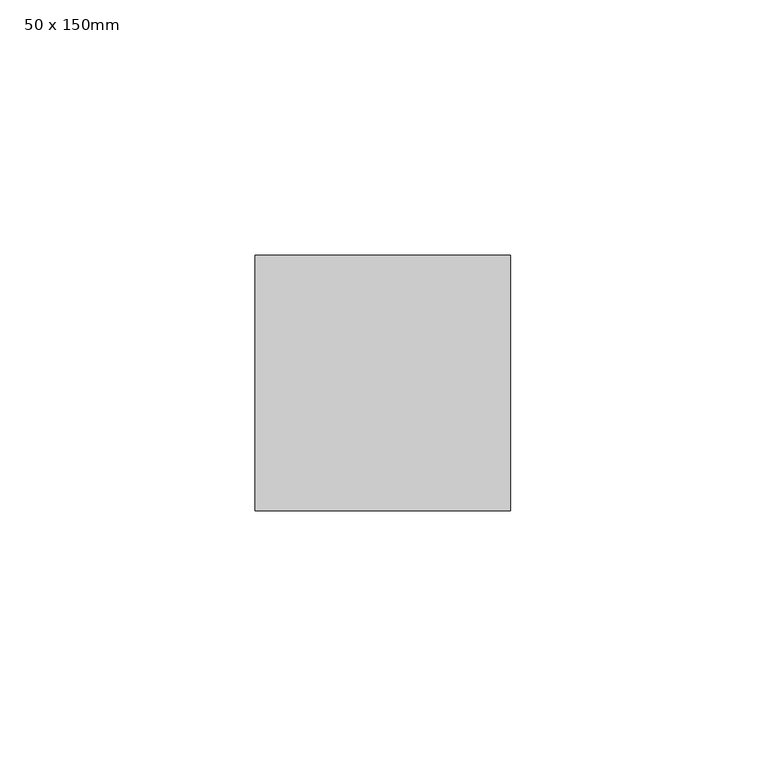
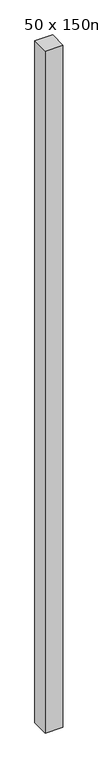
"""IFC4 building model written with IfcOpenShell, lengths in millimetres: member geometry, 50 x 150mm."""

from ifc_helpers import new_model, si_unit, frame, origin, place, context, project, spatial, polyline, outline, extrude, source, transform, mapped, element, save


def member_50_x_150mm_85221250(model_context):
    return source(origin(), model_context, "Body", "SweptSolid", [
        extrude(outline(polyline([(25.0, 25.0), (25.0, -25.0), (-25.0, -25.0), (-25.0, 25.0), (25.0, 25.0)])), frame((0.0, 0.0, -2025.0), z_axis=(0.0, 0.0, 1.0), x_axis=(1.0, 0.0, 0.0)), (0.0, 0.0, 1.0), 2025.0),
    ])


if __name__ == "__main__":
    model = new_model("IFC4")
    model_context = context("Model", 3, world=origin())
    ifc_project = project(units=[si_unit("LENGTHUNIT", "METRE", prefix="MILLI")], contexts=[model_context])
    site = spatial("IfcSite", under=ifc_project)
    building = spatial("IfcBuilding", under=site)
    placement = place(None, origin())
    member_50_x_150mm_shape = member_50_x_150mm_85221250(model_context)
    element("IfcMember", 1, ObjectType="50 x 150mm", at=placement, inside=building, context=model_context, shape_type="MappedRepresentation", body=[
        mapped(member_50_x_150mm_shape, transform((0.0, 0.0, 0.0), x_axis=(1.0, 0.0, 0.0), y_axis=(0.0, 1.0, 0.0), z_axis=(0.0, 0.0, 1.0))),
    ])
    save(model, "model.ifc")
